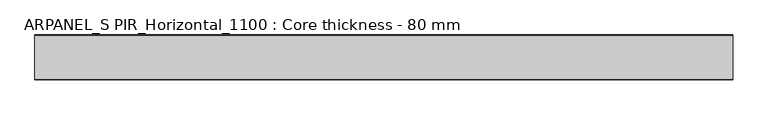
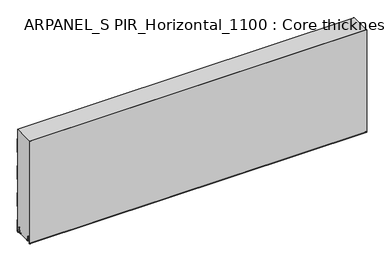
"""IFC4 building model written with IfcOpenShell, lengths in millimetres: plate geometry, ARPANEL_S PIR_Horizontal_1100 : Core thickness - 80 mm."""

from ifc_helpers import new_model, si_unit, frame, origin, place, context, project, spatial, polyline, circle_curve, source, transform, mapped, element, save
from ifc_brep_helpers import plane_surface, cylinder_surface, revolved_surface, advanced_brep


def arpanel_s_pir_horizontal_1100_core_thickness_80_mm_5fe5f416(model_context):
    return source(origin(), model_context, "Body", "AdvancedBrep", [
        advanced_brep(
        [(620.0, -79.9996949, 3.0900682), (620.0, -73.81449, 2.7875612), (620.0, -72.197116, 19.2828169), (620.0, -69.1776715, 21.9898782), (620.0, -66.1582271, 19.2828169), (620.0, -64.7725998, 5.1510966), (620.0, -60.3830995, 5.365779), (620.0, -61.1830995, 5.365779), (620.0, -63.9764178, 5.2291629), (620.0, -65.3620451, 19.3608832), (620.0, -69.1776715, 22.7899182), (620.0, -72.9932979, 19.3608832), (620.0, -74.6106719, 2.8656275), (620.0, -79.1996949, 3.0900682), (620.0, -79.2, 400.0), (620.0, -79.9996949, 400.0), (-620.0, -79.1996949, 3.0900682), (-620.0, -74.6106719, 2.8656275), (-620.0, -72.9932979, 19.3608832), (-620.0, -69.1776715, 22.7899182), (-620.0, -65.3620451, 19.3608832), (-620.0, -63.9764178, 5.2291629), (-620.0, -61.1830995, 5.365779), (-620.0, -60.3830995, 5.365779), (-620.0, -64.7725998, 5.1510966), (-620.0, -66.1582271, 19.2828169), (-620.0, -69.1776715, 21.9898782), (-620.0, -72.197116, 19.2828169), (-620.0, -73.81449, 2.7875612), (-620.0, -79.9996949, 3.0900682), (-620.0, -79.9996949, 400.0), (-620.0, -79.2, 400.0)],
        [
            (0, 1, circle_curve(frame((620.0, -76.8996949, 3.0900682), z_axis=(1.0, 0.0, 0.0), x_axis=(0.0, 0.0, -1.0)), 3.1)),
            (1, 2),
            (2, 3, circle_curve(frame((620.0, -69.2114338, 18.9900682), z_axis=(-1.0, 0.0, 0.0), x_axis=(0.0, 0.0, -1.0)), 3.0)),
            (3, 4, circle_curve(frame((620.0, -69.1439093, 18.9900682), z_axis=(-1.0, 0.0, 0.0), x_axis=(0.0, 0.0, -1.0)), 3.0)),
            (4, 5),
            (5, 6, circle_curve(frame((620.0, -62.5830995, 5.365779), z_axis=(1.0, 0.0, 0.0), x_axis=(0.0, 0.0, -1.0)), 2.2)),
            (6, 7),
            (7, 8, circle_curve(frame((620.0, -62.5830995, 5.365779), z_axis=(-1.0, 0.0, 0.0), x_axis=(0.0, 0.0, -1.0)), 1.4)),
            (8, 9),
            (9, 10, circle_curve(frame((620.0, -69.1439093, 18.9900682), z_axis=(1.0, 0.0, 0.0), x_axis=(0.0, 0.0, -1.0)), 3.8)),
            (10, 11, circle_curve(frame((620.0, -69.2114338, 18.9900682), z_axis=(1.0, 0.0, 0.0), x_axis=(0.0, 0.0, -1.0)), 3.8)),
            (11, 12),
            (12, 13, circle_curve(frame((620.0, -76.8996949, 3.0900682), z_axis=(-1.0, 0.0, 0.0), x_axis=(0.0, 0.0, -1.0)), 2.3)),
            (13, 14),
            (14, 15),
            (15, 0),
            (16, 17, circle_curve(frame((-620.0, -76.8996949, 3.0900682), z_axis=(1.0, 0.0, 0.0), x_axis=(0.0, 0.0, -1.0)), 2.3)),
            (17, 18),
            (18, 19, circle_curve(frame((-620.0, -69.2114338, 18.9900682), z_axis=(-1.0, 0.0, 0.0), x_axis=(0.0, 0.0, -1.0)), 3.8)),
            (19, 20, circle_curve(frame((-620.0, -69.1439093, 18.9900682), z_axis=(-1.0, 0.0, 0.0), x_axis=(0.0, 0.0, -1.0)), 3.8)),
            (20, 21),
            (21, 22, circle_curve(frame((-620.0, -62.5830995, 5.365779), z_axis=(1.0, 0.0, 0.0), x_axis=(0.0, 0.0, -1.0)), 1.4)),
            (22, 23),
            (23, 24, circle_curve(frame((-620.0, -62.5830995, 5.365779), z_axis=(-1.0, 0.0, 0.0), x_axis=(0.0, 0.0, -1.0)), 2.2)),
            (24, 25),
            (25, 26, circle_curve(frame((-620.0, -69.1439093, 18.9900682), z_axis=(1.0, 0.0, 0.0), x_axis=(0.0, 0.0, -1.0)), 3.0)),
            (26, 27, circle_curve(frame((-620.0, -69.2114338, 18.9900682), z_axis=(1.0, 0.0, 0.0), x_axis=(0.0, 0.0, -1.0)), 3.0)),
            (27, 28),
            (28, 29, circle_curve(frame((-620.0, -76.8996949, 3.0900682), z_axis=(-1.0, 0.0, 0.0), x_axis=(0.0, 0.0, -1.0)), 3.1)),
            (29, 30),
            (30, 31),
            (31, 16),
            (13, 16),
            (31, 14),
            (29, 0),
            (15, 30),
            (12, 17),
            (11, 18),
            (10, 19),
            (9, 20),
            (8, 21),
            (7, 22),
            (6, 23),
            (5, 24),
            (4, 25),
            (3, 26),
            (2, 27),
            (1, 28),
        ],
        [
            plane_surface(frame((620.0, -80.0, 0.0), z_axis=(1.0, 0.0, 0.0), x_axis=(0.0, 1.0, 0.0))),
            plane_surface(frame((-620.0, -80.0, 0.0), z_axis=(-1.0, 0.0, 0.0), x_axis=(0.0, 1.0, 0.0))),
            plane_surface(frame((620.0, -79.2, 3.0900682), z_axis=(0.0, 1.0, 0.0), x_axis=(-1.0, 0.0, 0.0))),
            plane_surface(frame((620.0, -79.9996949, 1093.9000005), z_axis=(0.0, -1.0, 0.0), x_axis=(-1.0, 0.0, 0.0))),
            revolved_surface(polyline([(-620.0, -76.8996949, 0.7900682000000003), (620.0, -76.8996949, 0.7900682000000003)]), (620.0, -76.8996949, 3.0900682), (-1.0, 0.0, 0.0)),
            plane_surface(frame((620.0, -72.9932979, 19.3608832), z_axis=(0.0, -0.9952273999818314, 0.09758289975914787), x_axis=(-1.0, 0.0, 0.0))),
            cylinder_surface(frame((620.0, -69.2114338, 18.9900682), z_axis=(1.0, 0.0, 0.0), x_axis=(0.0, 0.0, -1.0)), 3.8),
            cylinder_surface(frame((620.0, -69.1439093, 18.9900682), z_axis=(1.0, 0.0, 0.0), x_axis=(0.0, 0.0, -1.0)), 3.8),
            plane_surface(frame((620.0, -63.9764178, 5.2291629), z_axis=(0.0, 0.9952273999818297, 0.09758289975916531), x_axis=(-1.0, 0.0, 0.0))),
            revolved_surface(polyline([(-620.0, -62.5830995, 3.965779), (620.0, -62.5830995, 3.965779)]), (620.0, -62.5830995, 5.365779), (-1.0, 0.0, 0.0)),
            plane_surface(frame((620.0, -60.3830995, 5.365779), z_axis=(0.0, 0.0, 1.0), x_axis=(-1.0, 0.0, 0.0))),
            cylinder_surface(frame((620.0, -62.5830995, 5.365779), z_axis=(1.0, 0.0, 0.0), x_axis=(0.0, 0.0, -1.0)), 2.2),
            plane_surface(frame((620.0, -66.1582271, 19.2828169), z_axis=(0.0, -0.9952273999818296, -0.09758289975916527), x_axis=(-1.0, 0.0, 0.0))),
            revolved_surface(polyline([(-620.0, -69.1439093, 15.9900682), (620.0, -69.1439093, 15.9900682)]), (620.0, -69.1439093, 18.9900682), (-1.0, 0.0, 0.0)),
            revolved_surface(polyline([(-620.0, -69.2114338, 15.9900682), (620.0, -69.2114338, 15.9900682)]), (620.0, -69.2114338, 18.9900682), (-1.0, 0.0, 0.0)),
            plane_surface(frame((620.0, -73.81449, 2.7875612), z_axis=(0.0, 0.9952273999818314, -0.09758289975914787), x_axis=(-1.0, 0.0, 0.0))),
            cylinder_surface(frame((620.0, -76.8996949, 3.0900682), z_axis=(1.0, 0.0, 0.0), x_axis=(0.0, 0.0, -1.0)), 3.1),
            plane_surface(frame((-620.0, 134.0533409, 400.0), z_axis=(0.0, 0.0, 1.0), x_axis=(1.0, 0.0, 0.0))),
        ],
        [
            (0, [[1, 2, 3, 4, 5, 6, 7, 8, 9, 10, 11, 12, 13, 14, 15, 16]]),
            (1, [[17, 18, 19, 20, 21, 22, 23, 24, 25, 26, 27, 28, 29, 30, 31, 32]]),
            (2, [[33, -32, 34, -14]]),
            (3, [[35, -16, 36, -30]]),
            (4, [[-13, 37, -17, -33]]),
            (5, [[-12, 38, -18, -37]]),
            (6, [[-11, 39, -19, -38]]),
            (7, [[-10, 40, -20, -39]]),
            (8, [[-9, 41, -21, -40]]),
            (9, [[-8, 42, -22, -41]]),
            (10, [[-7, 43, -23, -42]]),
            (11, [[-6, 44, -24, -43]]),
            (12, [[-5, 45, -25, -44]]),
            (13, [[-4, 46, -26, -45]]),
            (14, [[-3, 47, -27, -46]]),
            (15, [[-2, 48, -28, -47]]),
            (16, [[-1, -35, -29, -48]]),
            (17, [[-15, -34, -31, -36]]),
        ],
    ),
        advanced_brep(
        [(620.0, -0.8, 149.9459237), (620.0, -1.0986697, 150.9973395), (620.0, -1.5003051, 152.4177205), (620.0, -1.5003051, 202.5775037), (620.0, -1.0971009, 203.9969151), (620.0, -0.8, 205.0493005), (620.0, -0.8, 255.2090837), (620.0, -1.0986697, 256.2604995), (620.0, -1.5003051, 257.6808805), (620.0, -1.5003051, 307.8406637), (620.0, -1.0971009, 309.2600751), (620.0, -0.8, 310.3124605), (620.0, -0.8, 360.4722437), (620.0, -1.0986697, 361.5236595), (620.0, -1.5003051, 362.9440405), (620.0, -1.5003051, 400.0), (620.0, -79.2, 400.0), (620.0, -79.2, 3.0900682), (620.0, -74.6106719, 2.8656275), (620.0, -72.9932979, 19.3608832), (620.0, -69.1776715, 22.7899182), (620.0, -65.3620451, 19.3608832), (620.0, -63.9764178, 5.2291629), (620.0, -61.1830995, 5.365779), (620.0, -60.3830995, 5.365779), (620.0, -60.6102539, 4.3921875), (620.0, -19.3897461, 4.3921875), (620.0, -19.6169005, 5.365779), (620.0, -18.8169005, 5.365779), (620.0, -16.0235822, 5.2291629), (620.0, -14.6379549, 19.3608832), (620.0, -10.8223285, 22.7899182), (620.0, -7.0067021, 19.3608832), (620.0, -5.3893281, 2.8656275), (620.0, -0.8003051, 3.0900682), (620.0, -0.8, 44.6827637), (620.0, -1.0986697, 45.7341795), (620.0, -1.5003051, 47.1545605), (620.0, -1.5003051, 97.3143437), (620.0, -1.0971009, 98.7337551), (620.0, -0.8, 99.7861405), (-620.0, -1.0986697, 150.9973395), (-620.0, -0.8, 149.9459237), (-620.0, -0.8, 99.7861405), (-620.0, -1.0986697, 98.7347246), (-620.0, -1.5003051, 97.3143437), (-620.0, -1.5003051, 47.1545605), (-620.0, -1.0971009, 45.7351491), (-620.0, -0.8, 44.6827637), (-620.0, -0.8, 3.0900682), (-620.0, -5.3893281, 2.8656275), (-620.0, -7.0067021, 19.3608832), (-620.0, -10.8223285, 22.7899182), (-620.0, -14.6379549, 19.3608832), (-620.0, -16.0235822, 5.2291629), (-620.0, -18.4553868, 4.4268721), (-620.0, -18.8169005, 5.365779), (-620.0, -19.6169005, 5.365779), (-620.0, -19.3897461, 4.3921875), (-620.0, -60.6102539, 4.3921875), (-620.0, -60.3830995, 5.365779), (-620.0, -61.1830995, 5.365779), (-620.0, -61.5446132, 4.4268721), (-620.0, -63.9764178, 5.2291629), (-620.0, -65.3620451, 19.3608832), (-620.0, -69.1776715, 22.7899182), (-620.0, -72.9932979, 19.3608832), (-620.0, -74.6106719, 2.8656275), (-620.0, -79.1996949, 3.0900682), (-620.0, -79.2, 400.0), (-620.0, -1.5003051, 400.0), (-620.0, -1.5003051, 362.9440405), (-620.0, -1.0971009, 361.5246291), (-620.0, -0.8, 360.4722437), (-620.0, -0.8, 310.3124605), (-620.0, -1.0986697, 309.2610446), (-620.0, -1.5003051, 307.8406637), (-620.0, -1.5003051, 257.6808805), (-620.0, -1.0971009, 256.2614691), (-620.0, -0.8, 255.2090837), (-620.0, -0.8, 205.0493005), (-620.0, -1.0986697, 203.9978846), (-620.0, -1.5003051, 202.5775037), (-620.0, -1.5003051, 152.4177205)],
        [
            (0, 1, circle_curve(frame((620.0, -2.8, 149.9459237), z_axis=(1.0, 0.0, 0.0), x_axis=(0.0, 0.0, -1.0)), 2.0)),
            (1, 2, circle_curve(frame((620.0, 1.1996949, 152.4177205), z_axis=(-1.0, 0.0, 0.0), x_axis=(0.0, 0.0, -1.0)), 2.7)),
            (2, 3),
            (3, 4, circle_curve(frame((620.0, 1.1996949, 202.5775037), z_axis=(-1.0, 0.0, 0.0), x_axis=(0.0, 0.0, -1.0)), 2.7)),
            (4, 5, circle_curve(frame((620.0, -2.8, 205.0493005), z_axis=(1.0, 0.0, 0.0), x_axis=(0.0, 0.0, -1.0)), 2.0)),
            (5, 6),
            (6, 7, circle_curve(frame((620.0, -2.8, 255.2090837), z_axis=(1.0, 0.0, 0.0), x_axis=(0.0, 0.0, -1.0)), 2.0)),
            (7, 8, circle_curve(frame((620.0, 1.1996949, 257.6808805), z_axis=(-1.0, 0.0, 0.0), x_axis=(0.0, 0.0, -1.0)), 2.7)),
            (8, 9),
            (9, 10, circle_curve(frame((620.0, 1.1996949, 307.8406637), z_axis=(-1.0, 0.0, 0.0), x_axis=(0.0, 0.0, -1.0)), 2.7)),
            (10, 11, circle_curve(frame((620.0, -2.8, 310.3124605), z_axis=(1.0, 0.0, 0.0), x_axis=(0.0, 0.0, -1.0)), 2.0)),
            (11, 12),
            (12, 13, circle_curve(frame((620.0, -2.8, 360.4722437), z_axis=(1.0, 0.0, 0.0), x_axis=(0.0, 0.0, -1.0)), 2.0)),
            (13, 14, circle_curve(frame((620.0, 1.1996949, 362.9440405), z_axis=(-1.0, 0.0, 0.0), x_axis=(0.0, 0.0, -1.0)), 2.7)),
            (14, 15),
            (15, 16),
            (16, 17),
            (17, 18, circle_curve(frame((620.0, -76.8996949, 3.0900682), z_axis=(1.0, 0.0, 0.0), x_axis=(0.0, 0.0, -1.0)), 2.3)),
            (18, 19),
            (19, 20, circle_curve(frame((620.0, -69.2114338, 18.9900682), z_axis=(-1.0, 0.0, 0.0), x_axis=(0.0, 0.0, -1.0)), 3.8)),
            (20, 21, circle_curve(frame((620.0, -69.1439093, 18.9900682), z_axis=(-1.0, 0.0, 0.0), x_axis=(0.0, 0.0, -1.0)), 3.8)),
            (21, 22),
            (22, 23, circle_curve(frame((620.0, -62.5830995, 5.365779), z_axis=(1.0, 0.0, 0.0), x_axis=(0.0, 0.0, -1.0)), 1.4)),
            (23, 24),
            (24, 25, circle_curve(frame((620.0, -62.5830995, 5.365779), z_axis=(-1.0, 0.0, 0.0), x_axis=(0.0, 0.0, -1.0)), 2.2)),
            (25, 26),
            (26, 27, circle_curve(frame((620.0, -17.4169005, 5.365779), z_axis=(-1.0, 0.0, 0.0), x_axis=(0.0, 0.0, -1.0)), 2.2)),
            (27, 28),
            (28, 29, circle_curve(frame((620.0, -17.4169005, 5.365779), z_axis=(1.0, 0.0, 0.0), x_axis=(0.0, 0.0, -1.0)), 1.4)),
            (29, 30),
            (30, 31, circle_curve(frame((620.0, -10.8560907, 18.9900682), z_axis=(-1.0, 0.0, 0.0), x_axis=(0.0, 0.0, -1.0)), 3.8)),
            (31, 32, circle_curve(frame((620.0, -10.7885662, 18.9900682), z_axis=(-1.0, 0.0, 0.0), x_axis=(0.0, 0.0, -1.0)), 3.8)),
            (32, 33),
            (33, 34, circle_curve(frame((620.0, -3.1003051, 3.0900682), z_axis=(1.0, 0.0, 0.0), x_axis=(0.0, 0.0, -1.0)), 2.3)),
            (34, 35),
            (35, 36, circle_curve(frame((620.0, -2.8, 44.6827637), z_axis=(1.0, 0.0, 0.0), x_axis=(0.0, 0.0, -1.0)), 2.0)),
            (36, 37, circle_curve(frame((620.0, 1.1996949, 47.1545605), z_axis=(-1.0, 0.0, 0.0), x_axis=(0.0, 0.0, -1.0)), 2.7)),
            (37, 38),
            (38, 39, circle_curve(frame((620.0, 1.1996949, 97.3143437), z_axis=(-1.0, 0.0, 0.0), x_axis=(0.0, 0.0, -1.0)), 2.7)),
            (39, 40, circle_curve(frame((620.0, -2.8, 99.7861405), z_axis=(1.0, 0.0, 0.0), x_axis=(0.0, 0.0, -1.0)), 2.0)),
            (40, 0),
            (41, 42, circle_curve(frame((-620.0, -2.8, 149.9459237), z_axis=(-1.0, 0.0, 0.0), x_axis=(0.0, 0.0, -1.0)), 2.0)),
            (42, 43),
            (43, 44, circle_curve(frame((-620.0, -2.8, 99.7861405), z_axis=(-1.0, 0.0, 0.0), x_axis=(0.0, 0.0, -1.0)), 2.0)),
            (44, 45, circle_curve(frame((-620.0, 1.1996949, 97.3143437), z_axis=(1.0, 0.0, 0.0), x_axis=(0.0, 0.0, -1.0)), 2.7)),
            (45, 46),
            (46, 47, circle_curve(frame((-620.0, 1.1996949, 47.1545605), z_axis=(1.0, 0.0, 0.0), x_axis=(0.0, 0.0, -1.0)), 2.7)),
            (47, 48, circle_curve(frame((-620.0, -2.8, 44.6827637), z_axis=(-1.0, 0.0, 0.0), x_axis=(0.0, 0.0, -1.0)), 2.0)),
            (48, 49),
            (49, 50, circle_curve(frame((-620.0, -3.1003051, 3.0900682), z_axis=(-1.0, 0.0, 0.0), x_axis=(0.0, 0.0, -1.0)), 2.3)),
            (50, 51),
            (51, 52, circle_curve(frame((-620.0, -10.7885662, 18.9900682), z_axis=(1.0, 0.0, 0.0), x_axis=(0.0, 0.0, -1.0)), 3.8)),
            (52, 53, circle_curve(frame((-620.0, -10.8560907, 18.9900682), z_axis=(1.0, 0.0, 0.0), x_axis=(0.0, 0.0, -1.0)), 3.8)),
            (53, 54),
            (54, 55, circle_curve(frame((-620.0, -17.4169005, 5.365779), z_axis=(-1.0, 0.0, 0.0), x_axis=(0.0, 0.0, -1.0)), 1.4)),
            (55, 56, circle_curve(frame((-620.0, -17.4169005, 5.365779), z_axis=(-1.0, 0.0, 0.0), x_axis=(0.0, 0.0, -1.0)), 1.4)),
            (56, 57),
            (57, 58, circle_curve(frame((-620.0, -17.4169005, 5.365779), z_axis=(1.0, 0.0, 0.0), x_axis=(0.0, 0.0, -1.0)), 2.2)),
            (58, 59),
            (59, 60, circle_curve(frame((-620.0, -62.5830995, 5.365779), z_axis=(1.0, 0.0, 0.0), x_axis=(0.0, 0.0, -1.0)), 2.2)),
            (60, 61),
            (61, 62, circle_curve(frame((-620.0, -62.5830995, 5.365779), z_axis=(-1.0, 0.0, 0.0), x_axis=(0.0, 0.0, -1.0)), 1.4)),
            (62, 63, circle_curve(frame((-620.0, -62.5830995, 5.365779), z_axis=(-1.0, 0.0, 0.0), x_axis=(0.0, 0.0, -1.0)), 1.4)),
            (63, 64),
            (64, 65, circle_curve(frame((-620.0, -69.1439093, 18.9900682), z_axis=(1.0, 0.0, 0.0), x_axis=(0.0, 0.0, -1.0)), 3.8)),
            (65, 66, circle_curve(frame((-620.0, -69.2114338, 18.9900682), z_axis=(1.0, 0.0, 0.0), x_axis=(0.0, 0.0, -1.0)), 3.8)),
            (66, 67),
            (67, 68, circle_curve(frame((-620.0, -76.8996949, 3.0900682), z_axis=(-1.0, 0.0, 0.0), x_axis=(0.0, 0.0, -1.0)), 2.3)),
            (68, 69),
            (69, 70),
            (70, 71),
            (71, 72, circle_curve(frame((-620.0, 1.1996949, 362.9440405), z_axis=(1.0, 0.0, 0.0), x_axis=(0.0, 0.0, -1.0)), 2.7)),
            (72, 73, circle_curve(frame((-620.0, -2.8, 360.4722437), z_axis=(-1.0, 0.0, 0.0), x_axis=(0.0, 0.0, -1.0)), 2.0)),
            (73, 74),
            (74, 75, circle_curve(frame((-620.0, -2.8, 310.3124605), z_axis=(-1.0, 0.0, 0.0), x_axis=(0.0, 0.0, -1.0)), 2.0)),
            (75, 76, circle_curve(frame((-620.0, 1.1996949, 307.8406637), z_axis=(1.0, 0.0, 0.0), x_axis=(0.0, 0.0, -1.0)), 2.7)),
            (76, 77),
            (77, 78, circle_curve(frame((-620.0, 1.1996949, 257.6808805), z_axis=(1.0, 0.0, 0.0), x_axis=(0.0, 0.0, -1.0)), 2.7)),
            (78, 79, circle_curve(frame((-620.0, -2.8, 255.2090837), z_axis=(-1.0, 0.0, 0.0), x_axis=(0.0, 0.0, -1.0)), 2.0)),
            (79, 80),
            (80, 81, circle_curve(frame((-620.0, -2.8, 205.0493005), z_axis=(-1.0, 0.0, 0.0), x_axis=(0.0, 0.0, -1.0)), 2.0)),
            (81, 82, circle_curve(frame((-620.0, 1.1996949, 202.5775037), z_axis=(1.0, 0.0, 0.0), x_axis=(0.0, 0.0, -1.0)), 2.7)),
            (82, 83),
            (83, 41, circle_curve(frame((-620.0, 1.1996949, 152.4177205), z_axis=(1.0, 0.0, 0.0), x_axis=(0.0, 0.0, -1.0)), 2.7)),
            (41, 1),
            (0, 42),
            (83, 2),
            (82, 3),
            (81, 4),
            (80, 5),
            (79, 6),
            (78, 7),
            (77, 8),
            (76, 9),
            (75, 10),
            (74, 11),
            (73, 12),
            (72, 13),
            (71, 14),
            (70, 15),
            (68, 17),
            (16, 69),
            (57, 27),
            (26, 58),
            (56, 28),
            (54, 29),
            (53, 30),
            (52, 31),
            (51, 32),
            (50, 33),
            (49, 34),
            (48, 35),
            (47, 36),
            (46, 37),
            (45, 38),
            (44, 39),
            (43, 40),
            (67, 18),
            (66, 19),
            (65, 20),
            (64, 21),
            (63, 22),
            (61, 23),
            (60, 24),
            (59, 25),
        ],
        [
            plane_surface(frame((620.0, 0.0, 0.0), z_axis=(1.0, 0.0, 0.0), x_axis=(0.0, -1.0, 0.0))),
            plane_surface(frame((-620.0, 0.0, 0.0), z_axis=(-1.0, 0.0, 0.0), x_axis=(0.0, -1.0, 0.0))),
            cylinder_surface(frame((750.0, -2.8, 149.9459237), z_axis=(-1.0, 0.0, 0.0), x_axis=(0.0, 0.0, -1.0)), 2.0),
            revolved_surface(polyline([(620.0, 1.1996949, 149.7177205), (-620.0, 1.1996949, 149.7177205)]), (750.0, 1.1996949, 152.4177205), (1.0, 0.0, 0.0)),
            plane_surface(frame((750.0, -1.5003051, 202.5775037), z_axis=(0.0, 1.0, 0.0), x_axis=(-1.0, 0.0, 0.0))),
            revolved_surface(polyline([(620.0, 1.1996949, 199.8775037), (-620.0, 1.1996949, 199.8775037)]), (750.0, 1.1996949, 202.5775037), (1.0, 0.0, 0.0)),
            cylinder_surface(frame((750.0, -2.8, 205.0493005), z_axis=(-1.0, 0.0, 0.0), x_axis=(0.0, 0.0, -1.0)), 2.0),
            plane_surface(frame((750.0, -0.8, 255.2090837), z_axis=(0.0, 1.0, 0.0), x_axis=(-1.0, 0.0, 0.0))),
            cylinder_surface(frame((750.0, -2.8, 255.2090837), z_axis=(-1.0, 0.0, 0.0), x_axis=(0.0, 0.0, -1.0)), 2.0),
            revolved_surface(polyline([(620.0, 1.1996949, 254.9808805), (-620.0, 1.1996949, 254.9808805)]), (750.0, 1.1996949, 257.6808805), (1.0, 0.0, 0.0)),
            plane_surface(frame((750.0, -1.5003051, 307.8406637), z_axis=(0.0, 1.0, 0.0), x_axis=(-1.0, 0.0, 0.0))),
            revolved_surface(polyline([(620.0, 1.1996949, 305.1406637), (-620.0, 1.1996949, 305.1406637)]), (750.0, 1.1996949, 307.8406637), (1.0, 0.0, 0.0)),
            cylinder_surface(frame((750.0, -2.8, 310.3124605), z_axis=(-1.0, 0.0, 0.0), x_axis=(0.0, 0.0, -1.0)), 2.0),
            plane_surface(frame((750.0, -0.8, 360.4722437), z_axis=(0.0, 1.0, 0.0), x_axis=(-1.0, 0.0, 0.0))),
            cylinder_surface(frame((750.0, -2.8, 360.4722437), z_axis=(-1.0, 0.0, 0.0), x_axis=(0.0, 0.0, -1.0)), 2.0),
            revolved_surface(polyline([(620.0, 1.1996949, 360.24404050000004), (-620.0, 1.1996949, 360.24404050000004)]), (750.0, 1.1996949, 362.9440405), (1.0, 0.0, 0.0)),
            plane_surface(frame((750.0, -1.5003051, 413.1038237), z_axis=(0.0, 1.0, 0.0), x_axis=(-1.0, 0.0, 0.0))),
            plane_surface(frame((750.0, -79.2, 3.0900682), z_axis=(0.0, -1.0, 0.0), x_axis=(-1.0, 0.0, 0.0))),
            revolved_surface(polyline([(620.0, -17.4169005, 3.1657789999999997), (-620.0, -17.4169005, 3.1657789999999997)]), (750.0, -17.4169005, 5.365779), (1.0, 0.0, 0.0)),
            plane_surface(frame((750.0, -18.8169005, 5.365779), z_axis=(0.0, 0.0, -1.0), x_axis=(-1.0, 0.0, 0.0))),
            cylinder_surface(frame((750.0, -17.4169005, 5.365779), z_axis=(-1.0, 0.0, 0.0), x_axis=(0.0, 0.0, -1.0)), 1.4),
            plane_surface(frame((750.0, -14.6379549, 19.3608832), z_axis=(0.0, 0.9952273999818297, -0.09758289975916531), x_axis=(-1.0, 0.0, 0.0))),
            revolved_surface(polyline([(620.0, -10.8560907, 15.190068199999999), (-620.0, -10.8560907, 15.190068199999999)]), (750.0, -10.8560907, 18.9900682), (1.0, 0.0, 0.0)),
            revolved_surface(polyline([(620.0, -10.7885662, 15.190068199999999), (-620.0, -10.7885662, 15.190068199999999)]), (750.0, -10.7885662, 18.9900682), (1.0, 0.0, 0.0)),
            plane_surface(frame((750.0, -5.3893281, 2.8656275), z_axis=(0.0, -0.9952273999818314, -0.09758289975914787), x_axis=(-1.0, 0.0, 0.0))),
            cylinder_surface(frame((750.0, -3.1003051, 3.0900682), z_axis=(-1.0, 0.0, 0.0), x_axis=(0.0, 0.0, -1.0)), 2.3),
            plane_surface(frame((750.0, -0.8, 44.6827637), z_axis=(0.0, 1.0, 0.0), x_axis=(-1.0, 0.0, 0.0))),
            cylinder_surface(frame((750.0, -2.8, 44.6827637), z_axis=(-1.0, 0.0, 0.0), x_axis=(0.0, 0.0, -1.0)), 2.0),
            revolved_surface(polyline([(620.0, 1.1996949, 44.4545605), (-620.0, 1.1996949, 44.4545605)]), (750.0, 1.1996949, 47.1545605), (1.0, 0.0, 0.0)),
            plane_surface(frame((750.0, -1.5003051, 97.3143437), z_axis=(0.0, 1.0, 0.0), x_axis=(-1.0, 0.0, 0.0))),
            revolved_surface(polyline([(620.0, 1.1996949, 94.61434369999999), (-620.0, 1.1996949, 94.61434369999999)]), (750.0, 1.1996949, 97.3143437), (1.0, 0.0, 0.0)),
            cylinder_surface(frame((750.0, -2.8, 99.7861405), z_axis=(-1.0, 0.0, 0.0), x_axis=(0.0, 0.0, -1.0)), 2.0),
            plane_surface(frame((750.0, -0.8, 149.9459237), z_axis=(0.0, 1.0, 0.0), x_axis=(-1.0, 0.0, 0.0))),
            cylinder_surface(frame((750.0, -76.8996949, 3.0900682), z_axis=(-1.0, 0.0, 0.0), x_axis=(0.0, 0.0, -1.0)), 2.3),
            plane_surface(frame((750.0, -72.9932979, 19.3608832), z_axis=(0.0, 0.9952273999818314, -0.09758289975914787), x_axis=(-1.0, 0.0, 0.0))),
            revolved_surface(polyline([(620.0, -69.2114338, 15.190068199999999), (-620.0, -69.2114338, 15.190068199999999)]), (750.0, -69.2114338, 18.9900682), (1.0, 0.0, 0.0)),
            revolved_surface(polyline([(620.0, -69.1439093, 15.190068199999999), (-620.0, -69.1439093, 15.190068199999999)]), (750.0, -69.1439093, 18.9900682), (1.0, 0.0, 0.0)),
            plane_surface(frame((750.0, -63.9764178, 5.2291629), z_axis=(0.0, -0.9952273999818297, -0.09758289975916531), x_axis=(-1.0, 0.0, 0.0))),
            cylinder_surface(frame((750.0, -62.5830995, 5.365779), z_axis=(-1.0, 0.0, 0.0), x_axis=(0.0, 0.0, -1.0)), 1.4),
            plane_surface(frame((750.0, -60.3830995, 5.365779), z_axis=(0.0, 0.0, -1.0), x_axis=(-1.0, 0.0, 0.0))),
            revolved_surface(polyline([(620.0, -62.5830995, 3.1657789999999997), (-620.0, -62.5830995, 3.1657789999999997)]), (750.0, -62.5830995, 5.365779), (1.0, 0.0, 0.0)),
            plane_surface(frame((620.0, -61.50625, 4.3921875), z_axis=(0.0, 0.0, -1.0), x_axis=(-1.0, 0.0, 0.0))),
            plane_surface(frame((-620.0, 134.0533409, 400.0), z_axis=(0.0, 0.0, 1.0), x_axis=(1.0, 0.0, 0.0))),
        ],
        [
            (0, [[1, 2, 3, 4, 5, 6, 7, 8, 9, 10, 11, 12, 13, 14, 15, 16, 17, 18, 19, 20, 21, 22, 23, 24, 25, 26, 27, 28, 29, 30, 31, 32, 33, 34, 35, 36, 37, 38, 39, 40, 41]]),
            (1, [[42, 43, 44, 45, 46, 47, 48, 49, 50, 51, 52, 53, 54, 55, 56, 57, 58, 59, 60, 61, 62, 63, 64, 65, 66, 67, 68, 69, 70, 71, 72, 73, 74, 75, 76, 77, 78, 79, 80, 81, 82, 83, 84]]),
            (2, [[85, -1, 86, -42]]),
            (3, [[-85, -84, 87, -2]]),
            (4, [[-87, -83, 88, -3]]),
            (5, [[-88, -82, 89, -4]]),
            (6, [[-89, -81, 90, -5]]),
            (7, [[-90, -80, 91, -6]]),
            (8, [[-91, -79, 92, -7]]),
            (9, [[-92, -78, 93, -8]]),
            (10, [[-93, -77, 94, -9]]),
            (11, [[-94, -76, 95, -10]]),
            (12, [[-95, -75, 96, -11]]),
            (13, [[-96, -74, 97, -12]]),
            (14, [[-97, -73, 98, -13]]),
            (15, [[-98, -72, 99, -14]]),
            (16, [[-99, -71, 100, -15]]),
            (17, [[101, -17, 102, -69]]),
            (18, [[103, -27, 104, -58]]),
            (19, [[-103, -57, 105, -28]]),
            (20, [[-105, -56, -55, 106, -29]]),
            (21, [[-106, -54, 107, -30]]),
            (22, [[-107, -53, 108, -31]]),
            (23, [[-108, -52, 109, -32]]),
            (24, [[-109, -51, 110, -33]]),
            (25, [[-110, -50, 111, -34]]),
            (26, [[-111, -49, 112, -35]]),
            (27, [[-112, -48, 113, -36]]),
            (28, [[-113, -47, 114, -37]]),
            (29, [[-114, -46, 115, -38]]),
            (30, [[-115, -45, 116, -39]]),
            (31, [[-116, -44, 117, -40]]),
            (32, [[-117, -43, -86, -41]]),
            (33, [[-101, -68, 118, -18]]),
            (34, [[-118, -67, 119, -19]]),
            (35, [[-119, -66, 120, -20]]),
            (36, [[-120, -65, 121, -21]]),
            (37, [[-121, -64, 122, -22]]),
            (38, [[-122, -63, -62, 123, -23]]),
            (39, [[-123, -61, 124, -24]]),
            (40, [[-124, -60, 125, -25]]),
            (41, [[-104, -26, -125, -59]]),
            (42, [[-100, -70, -102, -16]]),
        ],
    ),
        advanced_brep(
        [(-620.0, -0.7003051, 362.9440405), (-620.0, -0.4016712, 361.8926826), (-620.0, -0.0003051, 360.4722437), (-620.0, -0.0003051, 310.3124605), (-620.0, -0.4034608, 308.8931274), (-620.0, -0.7003051, 307.8406637), (-620.0, -0.7003051, 257.6808805), (-620.0, -0.4016712, 256.6295226), (-620.0, -0.0003051, 255.2090837), (-620.0, -0.0003051, 205.0493005), (-620.0, -0.4034608, 203.6299674), (-620.0, -0.7003051, 202.5775037), (-620.0, -0.7003051, 152.4177205), (-620.0, -0.4016712, 151.3663626), (-620.0, -0.0003051, 149.9459237), (-620.0, -0.0003051, 99.7861405), (-620.0, -0.4034608, 98.3668074), (-620.0, -0.7003051, 97.3143437), (-620.0, -0.7003051, 47.1545605), (-620.0, -0.4016712, 46.1032026), (-620.0, -0.0003051, 44.6827637), (-620.0, -0.0003051, 3.0900682), (-620.0, -6.18551, 2.7875612), (-620.0, -7.802884, 19.2828169), (-620.0, -10.8223285, 21.9898782), (-620.0, -13.8417729, 19.2828169), (-620.0, -15.2274002, 5.1510966), (-620.0, -19.6169005, 5.365779), (-620.0, -18.8169005, 5.365779), (-620.0, -16.0235822, 5.2291629), (-620.0, -14.6379549, 19.3608832), (-620.0, -10.8223285, 22.7899182), (-620.0, -7.0067021, 19.3608832), (-620.0, -5.3893281, 2.8656275), (-620.0, -0.8003051, 3.0900682), (-620.0, -0.8, 44.6827637), (-620.0, -1.0986697, 45.7341795), (-620.0, -1.5003051, 47.1545605), (-620.0, -1.5003051, 97.3143437), (-620.0, -1.0971009, 98.7337551), (-620.0, -0.8, 99.7861405), (-620.0, -0.8, 149.9459237), (-620.0, -1.0986697, 150.9973395), (-620.0, -1.5003051, 152.4177205), (-620.0, -1.5003051, 202.5775037), (-620.0, -1.0971009, 203.9969151), (-620.0, -0.8, 205.0493005), (-620.0, -0.8, 255.2090837), (-620.0, -1.0986697, 256.2604995), (-620.0, -1.5003051, 257.6808805), (-620.0, -1.5003051, 307.8406637), (-620.0, -1.0971009, 309.2600751), (-620.0, -0.8, 310.3124605), (-620.0, -0.8, 360.4722437), (-620.0, -1.0986697, 361.5236595), (-620.0, -1.5003051, 362.9440405), (-620.0, -1.5003051, 400.0), (-620.0, -0.7003051, 400.0), (620.0, -1.5003051, 362.9440405), (620.0, -1.0971009, 361.5246291), (620.0, -0.8, 360.4722437), (620.0, -0.8, 310.3124605), (620.0, -1.0986697, 309.2610446), (620.0, -1.5003051, 307.8406637), (620.0, -1.5003051, 257.6808805), (620.0, -1.0971009, 256.2614691), (620.0, -0.8, 255.2090837), (620.0, -0.8, 205.0493005), (620.0, -1.0986697, 203.9978846), (620.0, -1.5003051, 202.5775037), (620.0, -1.5003051, 152.4177205), (620.0, -1.0971009, 150.9983091), (620.0, -0.8, 149.9459237), (620.0, -0.8, 99.7861405), (620.0, -1.0986697, 98.7347246), (620.0, -1.5003051, 97.3143437), (620.0, -1.5003051, 47.1545605), (620.0, -1.0971009, 45.7351491), (620.0, -0.8, 44.6827637), (620.0, -0.8, 3.0900682), (620.0, -5.3893281, 2.8656275), (620.0, -7.0067021, 19.3608832), (620.0, -10.8223285, 22.7899182), (620.0, -14.6379549, 19.3608832), (620.0, -16.0235822, 5.2291629), (620.0, -18.8169005, 5.365779), (620.0, -19.6169005, 5.365779), (620.0, -15.2274002, 5.1510966), (620.0, -13.8417729, 19.2828169), (620.0, -10.8223285, 21.9898782), (620.0, -7.802884, 19.2828169), (620.0, -6.18551, 2.7875612), (620.0, -0.0003051, 3.0900682), (620.0, -0.0003051, 44.6827637), (620.0, -0.4034608, 46.1020968), (620.0, -0.7003051, 47.1545605), (620.0, -0.7003051, 97.3143437), (620.0, -0.4016712, 98.3657015), (620.0, -0.0003051, 99.7861405), (620.0, -0.0003051, 149.9459237), (620.0, -0.4034608, 151.3652568), (620.0, -0.7003051, 152.4177205), (620.0, -0.7003051, 202.5775037), (620.0, -0.4016712, 203.6288615), (620.0, -0.0003051, 205.0493005), (620.0, -0.0003051, 255.2090837), (620.0, -0.4034608, 256.6284168), (620.0, -0.7003051, 257.6808805), (620.0, -0.7003051, 307.8406637), (620.0, -0.4016712, 308.8920215), (620.0, -0.0003051, 310.3124605), (620.0, -0.0003051, 360.4722437), (620.0, -0.4034608, 361.8915768), (620.0, -0.7003051, 362.9440405), (620.0, -0.7003051, 400.0), (620.0, -1.5003051, 400.0)],
        [
            (0, 1, circle_curve(frame((-620.0, 1.2996949, 362.9440405), z_axis=(1.0, 0.0, 0.0), x_axis=(0.0, 0.0, -1.0)), 2.0)),
            (1, 2, circle_curve(frame((-620.0, -2.7003051, 360.4722437), z_axis=(-1.0, 0.0, 0.0), x_axis=(0.0, 0.0, -1.0)), 2.7)),
            (2, 3),
            (3, 4, circle_curve(frame((-620.0, -2.7003051, 310.3124605), z_axis=(-1.0, 0.0, 0.0), x_axis=(0.0, 0.0, -1.0)), 2.7)),
            (4, 5, circle_curve(frame((-620.0, 1.2996949, 307.8406637), z_axis=(1.0, 0.0, 0.0), x_axis=(0.0, 0.0, -1.0)), 2.0)),
            (5, 6),
            (6, 7, circle_curve(frame((-620.0, 1.2996949, 257.6808805), z_axis=(1.0, 0.0, 0.0), x_axis=(0.0, 0.0, -1.0)), 2.0)),
            (7, 8, circle_curve(frame((-620.0, -2.7003051, 255.2090837), z_axis=(-1.0, 0.0, 0.0), x_axis=(0.0, 0.0, -1.0)), 2.7)),
            (8, 9),
            (9, 10, circle_curve(frame((-620.0, -2.7003051, 205.0493005), z_axis=(-1.0, 0.0, 0.0), x_axis=(0.0, 0.0, -1.0)), 2.7)),
            (10, 11, circle_curve(frame((-620.0, 1.2996949, 202.5775037), z_axis=(1.0, 0.0, 0.0), x_axis=(0.0, 0.0, -1.0)), 2.0)),
            (11, 12),
            (12, 13, circle_curve(frame((-620.0, 1.2996949, 152.4177205), z_axis=(1.0, 0.0, 0.0), x_axis=(0.0, 0.0, -1.0)), 2.0)),
            (13, 14, circle_curve(frame((-620.0, -2.7003051, 149.9459237), z_axis=(-1.0, 0.0, 0.0), x_axis=(0.0, 0.0, -1.0)), 2.7)),
            (14, 15),
            (15, 16, circle_curve(frame((-620.0, -2.7003051, 99.7861405), z_axis=(-1.0, 0.0, 0.0), x_axis=(0.0, 0.0, -1.0)), 2.7)),
            (16, 17, circle_curve(frame((-620.0, 1.2996949, 97.3143437), z_axis=(1.0, 0.0, 0.0), x_axis=(0.0, 0.0, -1.0)), 2.0)),
            (17, 18),
            (18, 19, circle_curve(frame((-620.0, 1.2996949, 47.1545605), z_axis=(1.0, 0.0, 0.0), x_axis=(0.0, 0.0, -1.0)), 2.0)),
            (19, 20, circle_curve(frame((-620.0, -2.7003051, 44.6827637), z_axis=(-1.0, 0.0, 0.0), x_axis=(0.0, 0.0, -1.0)), 2.7)),
            (20, 21),
            (21, 22, circle_curve(frame((-620.0, -3.1003051, 3.0900682), z_axis=(-1.0, 0.0, 0.0), x_axis=(0.0, 0.0, -1.0)), 3.1)),
            (22, 23),
            (23, 24, circle_curve(frame((-620.0, -10.7885662, 18.9900682), z_axis=(1.0, 0.0, 0.0), x_axis=(0.0, 0.0, -1.0)), 3.0)),
            (24, 25, circle_curve(frame((-620.0, -10.8560907, 18.9900682), z_axis=(1.0, 0.0, 0.0), x_axis=(0.0, 0.0, -1.0)), 3.0)),
            (25, 26),
            (26, 27, circle_curve(frame((-620.0, -17.4169005, 5.365779), z_axis=(-1.0, 0.0, 0.0), x_axis=(0.0, 0.0, -1.0)), 2.2)),
            (27, 28),
            (28, 29, circle_curve(frame((-620.0, -17.4169005, 5.365779), z_axis=(1.0, 0.0, 0.0), x_axis=(0.0, 0.0, -1.0)), 1.4)),
            (29, 30),
            (30, 31, circle_curve(frame((-620.0, -10.8560907, 18.9900682), z_axis=(-1.0, 0.0, 0.0), x_axis=(0.0, 0.0, -1.0)), 3.8)),
            (31, 32, circle_curve(frame((-620.0, -10.7885662, 18.9900682), z_axis=(-1.0, 0.0, 0.0), x_axis=(0.0, 0.0, -1.0)), 3.8)),
            (32, 33),
            (33, 34, circle_curve(frame((-620.0, -3.1003051, 3.0900682), z_axis=(1.0, 0.0, 0.0), x_axis=(0.0, 0.0, -1.0)), 2.3)),
            (34, 35),
            (35, 36, circle_curve(frame((-620.0, -2.8, 44.6827637), z_axis=(1.0, 0.0, 0.0), x_axis=(0.0, 0.0, -1.0)), 2.0)),
            (36, 37, circle_curve(frame((-620.0, 1.1996949, 47.1545605), z_axis=(-1.0, 0.0, 0.0), x_axis=(0.0, 0.0, -1.0)), 2.7)),
            (37, 38),
            (38, 39, circle_curve(frame((-620.0, 1.1996949, 97.3143437), z_axis=(-1.0, 0.0, 0.0), x_axis=(0.0, 0.0, -1.0)), 2.7)),
            (39, 40, circle_curve(frame((-620.0, -2.8, 99.7861405), z_axis=(1.0, 0.0, 0.0), x_axis=(0.0, 0.0, -1.0)), 2.0)),
            (40, 41),
            (41, 42, circle_curve(frame((-620.0, -2.8, 149.9459237), z_axis=(1.0, 0.0, 0.0), x_axis=(0.0, 0.0, -1.0)), 2.0)),
            (42, 43, circle_curve(frame((-620.0, 1.1996949, 152.4177205), z_axis=(-1.0, 0.0, 0.0), x_axis=(0.0, 0.0, -1.0)), 2.7)),
            (43, 44),
            (44, 45, circle_curve(frame((-620.0, 1.1996949, 202.5775037), z_axis=(-1.0, 0.0, 0.0), x_axis=(0.0, 0.0, -1.0)), 2.7)),
            (45, 46, circle_curve(frame((-620.0, -2.8, 205.0493005), z_axis=(1.0, 0.0, 0.0), x_axis=(0.0, 0.0, -1.0)), 2.0)),
            (46, 47),
            (47, 48, circle_curve(frame((-620.0, -2.8, 255.2090837), z_axis=(1.0, 0.0, 0.0), x_axis=(0.0, 0.0, -1.0)), 2.0)),
            (48, 49, circle_curve(frame((-620.0, 1.1996949, 257.6808805), z_axis=(-1.0, 0.0, 0.0), x_axis=(0.0, 0.0, -1.0)), 2.7)),
            (49, 50),
            (50, 51, circle_curve(frame((-620.0, 1.1996949, 307.8406637), z_axis=(-1.0, 0.0, 0.0), x_axis=(0.0, 0.0, -1.0)), 2.7)),
            (51, 52, circle_curve(frame((-620.0, -2.8, 310.3124605), z_axis=(1.0, 0.0, 0.0), x_axis=(0.0, 0.0, -1.0)), 2.0)),
            (52, 53),
            (53, 54, circle_curve(frame((-620.0, -2.8, 360.4722437), z_axis=(1.0, 0.0, 0.0), x_axis=(0.0, 0.0, -1.0)), 2.0)),
            (54, 55, circle_curve(frame((-620.0, 1.1996949, 362.9440405), z_axis=(-1.0, 0.0, 0.0), x_axis=(0.0, 0.0, -1.0)), 2.7)),
            (55, 56),
            (56, 57),
            (57, 0),
            (58, 59, circle_curve(frame((620.0, 1.1996949, 362.9440405), z_axis=(1.0, 0.0, 0.0), x_axis=(0.0, 0.0, -1.0)), 2.7)),
            (59, 60, circle_curve(frame((620.0, -2.8, 360.4722437), z_axis=(-1.0, 0.0, 0.0), x_axis=(0.0, 0.0, -1.0)), 2.0)),
            (60, 61),
            (61, 62, circle_curve(frame((620.0, -2.8, 310.3124605), z_axis=(-1.0, 0.0, 0.0), x_axis=(0.0, 0.0, -1.0)), 2.0)),
            (62, 63, circle_curve(frame((620.0, 1.1996949, 307.8406637), z_axis=(1.0, 0.0, 0.0), x_axis=(0.0, 0.0, -1.0)), 2.7)),
            (63, 64),
            (64, 65, circle_curve(frame((620.0, 1.1996949, 257.6808805), z_axis=(1.0, 0.0, 0.0), x_axis=(0.0, 0.0, -1.0)), 2.7)),
            (65, 66, circle_curve(frame((620.0, -2.8, 255.2090837), z_axis=(-1.0, 0.0, 0.0), x_axis=(0.0, 0.0, -1.0)), 2.0)),
            (66, 67),
            (67, 68, circle_curve(frame((620.0, -2.8, 205.0493005), z_axis=(-1.0, 0.0, 0.0), x_axis=(0.0, 0.0, -1.0)), 2.0)),
            (68, 69, circle_curve(frame((620.0, 1.1996949, 202.5775037), z_axis=(1.0, 0.0, 0.0), x_axis=(0.0, 0.0, -1.0)), 2.7)),
            (69, 70),
            (70, 71, circle_curve(frame((620.0, 1.1996949, 152.4177205), z_axis=(1.0, 0.0, 0.0), x_axis=(0.0, 0.0, -1.0)), 2.7)),
            (71, 72, circle_curve(frame((620.0, -2.8, 149.9459237), z_axis=(-1.0, 0.0, 0.0), x_axis=(0.0, 0.0, -1.0)), 2.0)),
            (72, 73),
            (73, 74, circle_curve(frame((620.0, -2.8, 99.7861405), z_axis=(-1.0, 0.0, 0.0), x_axis=(0.0, 0.0, -1.0)), 2.0)),
            (74, 75, circle_curve(frame((620.0, 1.1996949, 97.3143437), z_axis=(1.0, 0.0, 0.0), x_axis=(0.0, 0.0, -1.0)), 2.7)),
            (75, 76),
            (76, 77, circle_curve(frame((620.0, 1.1996949, 47.1545605), z_axis=(1.0, 0.0, 0.0), x_axis=(0.0, 0.0, -1.0)), 2.7)),
            (77, 78, circle_curve(frame((620.0, -2.8, 44.6827637), z_axis=(-1.0, 0.0, 0.0), x_axis=(0.0, 0.0, -1.0)), 2.0)),
            (78, 79),
            (79, 80, circle_curve(frame((620.0, -3.1003051, 3.0900682), z_axis=(-1.0, 0.0, 0.0), x_axis=(0.0, 0.0, -1.0)), 2.3)),
            (80, 81),
            (81, 82, circle_curve(frame((620.0, -10.7885662, 18.9900682), z_axis=(1.0, 0.0, 0.0), x_axis=(0.0, 0.0, -1.0)), 3.8)),
            (82, 83, circle_curve(frame((620.0, -10.8560907, 18.9900682), z_axis=(1.0, 0.0, 0.0), x_axis=(0.0, 0.0, -1.0)), 3.8)),
            (83, 84),
            (84, 85, circle_curve(frame((620.0, -17.4169005, 5.365779), z_axis=(-1.0, 0.0, 0.0), x_axis=(0.0, 0.0, -1.0)), 1.4)),
            (85, 86),
            (86, 87, circle_curve(frame((620.0, -17.4169005, 5.365779), z_axis=(1.0, 0.0, 0.0), x_axis=(0.0, 0.0, -1.0)), 2.2)),
            (87, 88),
            (88, 89, circle_curve(frame((620.0, -10.8560907, 18.9900682), z_axis=(-1.0, 0.0, 0.0), x_axis=(0.0, 0.0, -1.0)), 3.0)),
            (89, 90, circle_curve(frame((620.0, -10.7885662, 18.9900682), z_axis=(-1.0, 0.0, 0.0), x_axis=(0.0, 0.0, -1.0)), 3.0)),
            (90, 91),
            (91, 92, circle_curve(frame((620.0, -3.1003051, 3.0900682), z_axis=(1.0, 0.0, 0.0), x_axis=(0.0, 0.0, -1.0)), 3.1)),
            (92, 93),
            (93, 94, circle_curve(frame((620.0, -2.7003051, 44.6827637), z_axis=(1.0, 0.0, 0.0), x_axis=(0.0, 0.0, -1.0)), 2.7)),
            (94, 95, circle_curve(frame((620.0, 1.2996949, 47.1545605), z_axis=(-1.0, 0.0, 0.0), x_axis=(0.0, 0.0, -1.0)), 2.0)),
            (95, 96),
            (96, 97, circle_curve(frame((620.0, 1.2996949, 97.3143437), z_axis=(-1.0, 0.0, 0.0), x_axis=(0.0, 0.0, -1.0)), 2.0)),
            (97, 98, circle_curve(frame((620.0, -2.7003051, 99.7861405), z_axis=(1.0, 0.0, 0.0), x_axis=(0.0, 0.0, -1.0)), 2.7)),
            (98, 99),
            (99, 100, circle_curve(frame((620.0, -2.7003051, 149.9459237), z_axis=(1.0, 0.0, 0.0), x_axis=(0.0, 0.0, -1.0)), 2.7)),
            (100, 101, circle_curve(frame((620.0, 1.2996949, 152.4177205), z_axis=(-1.0, 0.0, 0.0), x_axis=(0.0, 0.0, -1.0)), 2.0)),
            (101, 102),
            (102, 103, circle_curve(frame((620.0, 1.2996949, 202.5775037), z_axis=(-1.0, 0.0, 0.0), x_axis=(0.0, 0.0, -1.0)), 2.0)),
            (103, 104, circle_curve(frame((620.0, -2.7003051, 205.0493005), z_axis=(1.0, 0.0, 0.0), x_axis=(0.0, 0.0, -1.0)), 2.7)),
            (104, 105),
            (105, 106, circle_curve(frame((620.0, -2.7003051, 255.2090837), z_axis=(1.0, 0.0, 0.0), x_axis=(0.0, 0.0, -1.0)), 2.7)),
            (106, 107, circle_curve(frame((620.0, 1.2996949, 257.6808805), z_axis=(-1.0, 0.0, 0.0), x_axis=(0.0, 0.0, -1.0)), 2.0)),
            (107, 108),
            (108, 109, circle_curve(frame((620.0, 1.2996949, 307.8406637), z_axis=(-1.0, 0.0, 0.0), x_axis=(0.0, 0.0, -1.0)), 2.0)),
            (109, 110, circle_curve(frame((620.0, -2.7003051, 310.3124605), z_axis=(1.0, 0.0, 0.0), x_axis=(0.0, 0.0, -1.0)), 2.7)),
            (110, 111),
            (111, 112, circle_curve(frame((620.0, -2.7003051, 360.4722437), z_axis=(1.0, 0.0, 0.0), x_axis=(0.0, 0.0, -1.0)), 2.7)),
            (112, 113, circle_curve(frame((620.0, 1.2996949, 362.9440405), z_axis=(-1.0, 0.0, 0.0), x_axis=(0.0, 0.0, -1.0)), 2.0)),
            (113, 114),
            (114, 115),
            (115, 58),
            (55, 58),
            (115, 56),
            (54, 59),
            (53, 60),
            (52, 61),
            (51, 62),
            (50, 63),
            (49, 64),
            (48, 65),
            (47, 66),
            (46, 67),
            (45, 68),
            (44, 69),
            (43, 70),
            (42, 71),
            (41, 72),
            (33, 80),
            (79, 34),
            (32, 81),
            (31, 82),
            (30, 83),
            (29, 84),
            (28, 85),
            (27, 86),
            (26, 87),
            (25, 88),
            (24, 89),
            (23, 90),
            (22, 91),
            (21, 92),
            (13, 100),
            (99, 14),
            (12, 101),
            (11, 102),
            (10, 103),
            (9, 104),
            (8, 105),
            (7, 106),
            (6, 107),
            (5, 108),
            (4, 109),
            (3, 110),
            (2, 111),
            (1, 112),
            (0, 113),
            (57, 114),
            (40, 73),
            (39, 74),
            (38, 75),
            (37, 76),
            (36, 77),
            (35, 78),
            (20, 93),
            (19, 94),
            (18, 95),
            (17, 96),
            (16, 97),
            (15, 98),
        ],
        [
            plane_surface(frame((-620.0, 0.0, 0.0), z_axis=(-1.0, 0.0, 0.0), x_axis=(0.0, -1.0, 0.0))),
            plane_surface(frame((620.0, 0.0, 0.0), z_axis=(1.0, 0.0, 0.0), x_axis=(0.0, -1.0, 0.0))),
            plane_surface(frame((-620.0, -1.5003051, 362.9440405), z_axis=(0.0, -1.0, 0.0), x_axis=(1.0, 0.0, 0.0))),
            cylinder_surface(frame((-620.0, 1.1996949, 362.9440405), z_axis=(-1.0, 0.0, 0.0), x_axis=(0.0, 0.0, -1.0)), 2.7),
            revolved_surface(polyline([(620.0, -2.8, 358.4722437), (-620.0, -2.8, 358.4722437)]), (-620.0, -2.8, 360.4722437), (1.0, 0.0, 0.0)),
            plane_surface(frame((-620.0, -0.8, 310.3124605), z_axis=(0.0, -1.0, 0.0), x_axis=(1.0, 0.0, 0.0))),
            revolved_surface(polyline([(620.0, -2.8, 308.3124605), (-620.0, -2.8, 308.3124605)]), (-620.0, -2.8, 310.3124605), (1.0, 0.0, 0.0)),
            cylinder_surface(frame((-620.0, 1.1996949, 307.8406637), z_axis=(-1.0, 0.0, 0.0), x_axis=(0.0, 0.0, -1.0)), 2.7),
            plane_surface(frame((-620.0, -1.5003051, 257.6808805), z_axis=(0.0, -1.0, 0.0), x_axis=(1.0, 0.0, 0.0))),
            cylinder_surface(frame((-620.0, 1.1996949, 257.6808805), z_axis=(-1.0, 0.0, 0.0), x_axis=(0.0, 0.0, -1.0)), 2.7),
            revolved_surface(polyline([(620.0, -2.8, 253.2090837), (-620.0, -2.8, 253.2090837)]), (-620.0, -2.8, 255.2090837), (1.0, 0.0, 0.0)),
            plane_surface(frame((-620.0, -0.8, 205.0493005), z_axis=(0.0, -1.0, 0.0), x_axis=(1.0, 0.0, 0.0))),
            revolved_surface(polyline([(620.0, -2.8, 203.0493005), (-620.0, -2.8, 203.0493005)]), (-620.0, -2.8, 205.0493005), (1.0, 0.0, 0.0)),
            cylinder_surface(frame((-620.0, 1.1996949, 202.5775037), z_axis=(-1.0, 0.0, 0.0), x_axis=(0.0, 0.0, -1.0)), 2.7),
            plane_surface(frame((-620.0, -1.5003051, 152.4177205), z_axis=(0.0, -1.0, 0.0), x_axis=(1.0, 0.0, 0.0))),
            cylinder_surface(frame((-620.0, 1.1996949, 152.4177205), z_axis=(-1.0, 0.0, 0.0), x_axis=(0.0, 0.0, -1.0)), 2.7),
            revolved_surface(polyline([(620.0, -2.8, 147.9459237), (-620.0, -2.8, 147.9459237)]), (-620.0, -2.8, 149.9459237), (1.0, 0.0, 0.0)),
            revolved_surface(polyline([(620.0, -3.1003051, 0.7900682000000003), (-620.0, -3.1003051, 0.7900682000000003)]), (-620.0, -3.1003051, 3.0900682), (1.0, 0.0, 0.0)),
            plane_surface(frame((-620.0, -7.0067021, 19.3608832), z_axis=(0.0, 0.9952273999818314, 0.09758289975914787), x_axis=(1.0, 0.0, 0.0))),
            cylinder_surface(frame((-620.0, -10.7885662, 18.9900682), z_axis=(-1.0, 0.0, 0.0), x_axis=(0.0, 0.0, -1.0)), 3.8),
            cylinder_surface(frame((-620.0, -10.8560907, 18.9900682), z_axis=(-1.0, 0.0, 0.0), x_axis=(0.0, 0.0, -1.0)), 3.8),
            plane_surface(frame((-620.0, -16.0235822, 5.2291629), z_axis=(0.0, -0.9952273999818297, 0.09758289975916531), x_axis=(1.0, 0.0, 0.0))),
            revolved_surface(polyline([(620.0, -17.4169005, 3.965779), (-620.0, -17.4169005, 3.965779)]), (-620.0, -17.4169005, 5.365779), (1.0, 0.0, 0.0)),
            plane_surface(frame((-620.0, -19.6169005, 5.365779), z_axis=(0.0, 0.0, 1.0), x_axis=(1.0, 0.0, 0.0))),
            cylinder_surface(frame((-620.0, -17.4169005, 5.365779), z_axis=(-1.0, 0.0, 0.0), x_axis=(0.0, 0.0, -1.0)), 2.2),
            plane_surface(frame((-620.0, -13.8417729, 19.2828169), z_axis=(0.0, 0.9952273999818296, -0.09758289975916527), x_axis=(1.0, 0.0, 0.0))),
            revolved_surface(polyline([(620.0, -10.8560907, 15.9900682), (-620.0, -10.8560907, 15.9900682)]), (-620.0, -10.8560907, 18.9900682), (1.0, 0.0, 0.0)),
            revolved_surface(polyline([(620.0, -10.7885662, 15.9900682), (-620.0, -10.7885662, 15.9900682)]), (-620.0, -10.7885662, 18.9900682), (1.0, 0.0, 0.0)),
            plane_surface(frame((-620.0, -6.18551, 2.7875612), z_axis=(0.0, -0.9952273999818314, -0.09758289975914787), x_axis=(1.0, 0.0, 0.0))),
            cylinder_surface(frame((-620.0, -3.1003051, 3.0900682), z_axis=(-1.0, 0.0, 0.0), x_axis=(0.0, 0.0, -1.0)), 3.1),
            cylinder_surface(frame((-620.0, -2.7003051, 149.9459237), z_axis=(-1.0, 0.0, 0.0), x_axis=(0.0, 0.0, -1.0)), 2.7),
            revolved_surface(polyline([(620.0, 1.2996949, 150.4177205), (-620.0, 1.2996949, 150.4177205)]), (-620.0, 1.2996949, 152.4177205), (1.0, 0.0, 0.0)),
            plane_surface(frame((-620.0, -0.7003051, 202.5775037), z_axis=(0.0, 1.0, 0.0), x_axis=(1.0, 0.0, 0.0))),
            revolved_surface(polyline([(620.0, 1.2996949, 200.5775037), (-620.0, 1.2996949, 200.5775037)]), (-620.0, 1.2996949, 202.5775037), (1.0, 0.0, 0.0)),
            cylinder_surface(frame((-620.0, -2.7003051, 205.0493005), z_axis=(-1.0, 0.0, 0.0), x_axis=(0.0, 0.0, -1.0)), 2.7),
            plane_surface(frame((-620.0, -0.0003051, 255.2090837), z_axis=(0.0, 1.0, 0.0), x_axis=(1.0, 0.0, 0.0))),
            cylinder_surface(frame((-620.0, -2.7003051, 255.2090837), z_axis=(-1.0, 0.0, 0.0), x_axis=(0.0, 0.0, -1.0)), 2.7),
            revolved_surface(polyline([(620.0, 1.2996949, 255.6808805), (-620.0, 1.2996949, 255.6808805)]), (-620.0, 1.2996949, 257.6808805), (1.0, 0.0, 0.0)),
            plane_surface(frame((-620.0, -0.7003051, 307.8406637), z_axis=(0.0, 1.0, 0.0), x_axis=(1.0, 0.0, 0.0))),
            revolved_surface(polyline([(620.0, 1.2996949, 305.8406637), (-620.0, 1.2996949, 305.8406637)]), (-620.0, 1.2996949, 307.8406637), (1.0, 0.0, 0.0)),
            cylinder_surface(frame((-620.0, -2.7003051, 310.3124605), z_axis=(-1.0, 0.0, 0.0), x_axis=(0.0, 0.0, -1.0)), 2.7),
            plane_surface(frame((-620.0, -0.0003051, 360.4722437), z_axis=(0.0, 1.0, 0.0), x_axis=(1.0, 0.0, 0.0))),
            cylinder_surface(frame((-620.0, -2.7003051, 360.4722437), z_axis=(-1.0, 0.0, 0.0), x_axis=(0.0, 0.0, -1.0)), 2.7),
            revolved_surface(polyline([(620.0, 1.2996949, 360.9440405), (-620.0, 1.2996949, 360.9440405)]), (-620.0, 1.2996949, 362.9440405), (1.0, 0.0, 0.0)),
            plane_surface(frame((-620.0, -0.7003051, 413.1038237), z_axis=(0.0, 1.0, 0.0), x_axis=(1.0, 0.0, 0.0))),
            plane_surface(frame((-620.0, -0.8, 99.7861405), z_axis=(0.0, -1.0, 0.0), x_axis=(1.0, 0.0, 0.0))),
            revolved_surface(polyline([(620.0, -2.8, 97.7861405), (-620.0, -2.8, 97.7861405)]), (-620.0, -2.8, 99.7861405), (1.0, 0.0, 0.0)),
            cylinder_surface(frame((-620.0, 1.1996949, 97.3143437), z_axis=(-1.0, 0.0, 0.0), x_axis=(0.0, 0.0, -1.0)), 2.7),
            plane_surface(frame((-620.0, -1.5003051, 47.1545605), z_axis=(0.0, -1.0, 0.0), x_axis=(1.0, 0.0, 0.0))),
            cylinder_surface(frame((-620.0, 1.1996949, 47.1545605), z_axis=(-1.0, 0.0, 0.0), x_axis=(0.0, 0.0, -1.0)), 2.7),
            revolved_surface(polyline([(620.0, -2.8, 42.6827637), (-620.0, -2.8, 42.6827637)]), (-620.0, -2.8, 44.6827637), (1.0, 0.0, 0.0)),
            plane_surface(frame((-620.0, -0.8, 3.0900682), z_axis=(0.0, -1.0, 0.0), x_axis=(1.0, 0.0, 0.0))),
            plane_surface(frame((-620.0, -0.0003051, 44.6827637), z_axis=(0.0, 1.0, 0.0), x_axis=(1.0, 0.0, 0.0))),
            cylinder_surface(frame((-620.0, -2.7003051, 44.6827637), z_axis=(-1.0, 0.0, 0.0), x_axis=(0.0, 0.0, -1.0)), 2.7),
            revolved_surface(polyline([(620.0, 1.2996949, 45.1545605), (-620.0, 1.2996949, 45.1545605)]), (-620.0, 1.2996949, 47.1545605), (1.0, 0.0, 0.0)),
            plane_surface(frame((-620.0, -0.7003051, 97.3143437), z_axis=(0.0, 1.0, 0.0), x_axis=(1.0, 0.0, 0.0))),
            revolved_surface(polyline([(620.0, 1.2996949, 95.3143437), (-620.0, 1.2996949, 95.3143437)]), (-620.0, 1.2996949, 97.3143437), (1.0, 0.0, 0.0)),
            cylinder_surface(frame((-620.0, -2.7003051, 99.7861405), z_axis=(-1.0, 0.0, 0.0), x_axis=(0.0, 0.0, -1.0)), 2.7),
            plane_surface(frame((-620.0, -0.0003051, 149.9459237), z_axis=(0.0, 1.0, 0.0), x_axis=(1.0, 0.0, 0.0))),
            plane_surface(frame((-620.0, 134.0533409, 400.0), z_axis=(0.0, 0.0, 1.0), x_axis=(1.0, 0.0, 0.0))),
        ],
        [
            (0, [[1, 2, 3, 4, 5, 6, 7, 8, 9, 10, 11, 12, 13, 14, 15, 16, 17, 18, 19, 20, 21, 22, 23, 24, 25, 26, 27, 28, 29, 30, 31, 32, 33, 34, 35, 36, 37, 38, 39, 40, 41, 42, 43, 44, 45, 46, 47, 48, 49, 50, 51, 52, 53, 54, 55, 56, 57, 58]]),
            (1, [[59, 60, 61, 62, 63, 64, 65, 66, 67, 68, 69, 70, 71, 72, 73, 74, 75, 76, 77, 78, 79, 80, 81, 82, 83, 84, 85, 86, 87, 88, 89, 90, 91, 92, 93, 94, 95, 96, 97, 98, 99, 100, 101, 102, 103, 104, 105, 106, 107, 108, 109, 110, 111, 112, 113, 114, 115, 116]]),
            (2, [[117, -116, 118, -56]]),
            (3, [[-55, 119, -59, -117]]),
            (4, [[-54, 120, -60, -119]]),
            (5, [[-53, 121, -61, -120]]),
            (6, [[-52, 122, -62, -121]]),
            (7, [[-51, 123, -63, -122]]),
            (8, [[-50, 124, -64, -123]]),
            (9, [[-49, 125, -65, -124]]),
            (10, [[-48, 126, -66, -125]]),
            (11, [[-47, 127, -67, -126]]),
            (12, [[-46, 128, -68, -127]]),
            (13, [[-45, 129, -69, -128]]),
            (14, [[-44, 130, -70, -129]]),
            (15, [[-43, 131, -71, -130]]),
            (16, [[-42, 132, -72, -131]]),
            (17, [[-34, 133, -80, 134]]),
            (18, [[-33, 135, -81, -133]]),
            (19, [[-32, 136, -82, -135]]),
            (20, [[-31, 137, -83, -136]]),
            (21, [[-30, 138, -84, -137]]),
            (22, [[-29, 139, -85, -138]]),
            (23, [[-28, 140, -86, -139]]),
            (24, [[-27, 141, -87, -140]]),
            (25, [[-26, 142, -88, -141]]),
            (26, [[-25, 143, -89, -142]]),
            (27, [[-24, 144, -90, -143]]),
            (28, [[-23, 145, -91, -144]]),
            (29, [[-22, 146, -92, -145]]),
            (30, [[-14, 147, -100, 148]]),
            (31, [[-13, 149, -101, -147]]),
            (32, [[-12, 150, -102, -149]]),
            (33, [[-11, 151, -103, -150]]),
            (34, [[-10, 152, -104, -151]]),
            (35, [[-9, 153, -105, -152]]),
            (36, [[-8, 154, -106, -153]]),
            (37, [[-7, 155, -107, -154]]),
            (38, [[-6, 156, -108, -155]]),
            (39, [[-5, 157, -109, -156]]),
            (40, [[-4, 158, -110, -157]]),
            (41, [[-3, 159, -111, -158]]),
            (42, [[-2, 160, -112, -159]]),
            (43, [[-1, 161, -113, -160]]),
            (44, [[-161, -58, 162, -114]]),
            (45, [[-41, 163, -73, -132]]),
            (46, [[-40, 164, -74, -163]]),
            (47, [[-39, 165, -75, -164]]),
            (48, [[-38, 166, -76, -165]]),
            (49, [[-37, 167, -77, -166]]),
            (50, [[-36, 168, -78, -167]]),
            (51, [[-35, -134, -79, -168]]),
            (52, [[-21, 169, -93, -146]]),
            (53, [[-20, 170, -94, -169]]),
            (54, [[-19, 171, -95, -170]]),
            (55, [[-18, 172, -96, -171]]),
            (56, [[-17, 173, -97, -172]]),
            (57, [[-16, 174, -98, -173]]),
            (58, [[-15, -148, -99, -174]]),
            (59, [[-57, -118, -115, -162]]),
        ],
    ),
    ])


if __name__ == "__main__":
    model = new_model("IFC4")
    model_context = context("Model", 3, world=origin())
    ifc_project = project(units=[si_unit("LENGTHUNIT", "METRE", prefix="MILLI")], contexts=[model_context])
    site = spatial("IfcSite", under=ifc_project)
    building = spatial("IfcBuilding", under=site)
    placement = place(None, origin())
    arpanel_s_pir_horizontal_1100_core_thickness_80_mm_shape = arpanel_s_pir_horizontal_1100_core_thickness_80_mm_5fe5f416(model_context)
    element("IfcPlate", 1, ObjectType="ARPANEL_S PIR_Horizontal_1100 : Core thickness - 80 mm", at=placement, inside=building, context=model_context, shape_type="MappedRepresentation", body=[
        mapped(arpanel_s_pir_horizontal_1100_core_thickness_80_mm_shape, transform((0.0, 0.0, 0.0), x_axis=(1.0, 0.0, 0.0), y_axis=(0.0, 1.0, 0.0), z_axis=(0.0, 0.0, 1.0))),
    ])
    save(model, "model.ifc")
